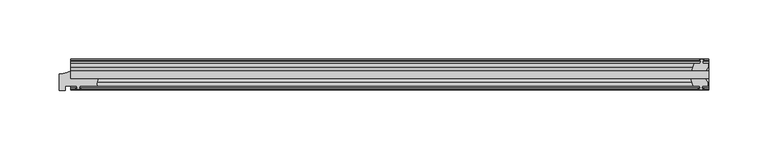
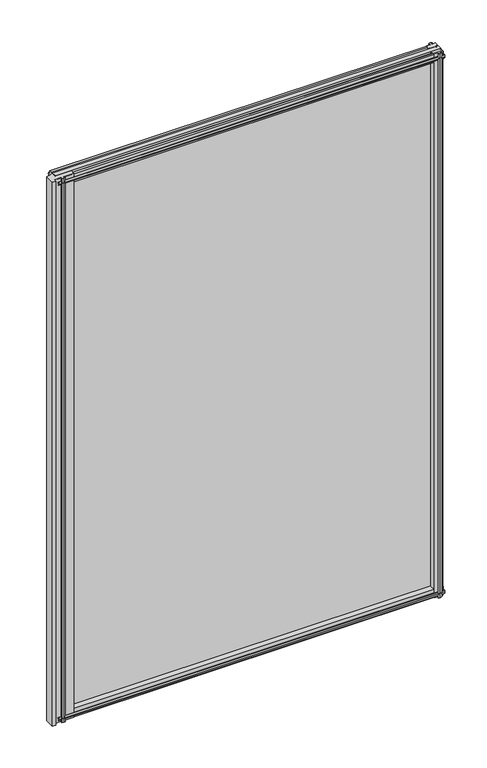
"""IFC4 building model written with IfcOpenShell, lengths in millimetres: plate geometry."""

from ifc_helpers import new_model, si_unit, point, frame, frame_2d, origin, place, context, project, spatial, polyline, circle_curve, trimmed, segment, composite_curve, outline, extrude, source, transform, mapped, element, save


def plate_12a71894(model_context):
    return source(origin(), model_context, "Body", "SweptSolid", [
        extrude(outline(polyline([(-273.05, -19.5460937), (263.525, -19.5460937), (263.525, -25.8960937), (-273.05, -25.8960937), (-273.05, -19.5460937)])), frame((0.0, 0.0, -12.7), z_axis=(0.0, 0.0, 1.0), x_axis=(1.0, 0.0, 0.0)), (0.0, 0.0, 1.0), 800.1),
        extrude(outline(polyline([(260.5503038, -25.8960937), (262.763, -29.2996938), (262.763, -32.2460938), (258.318, -32.2460938), (257.937, -34.6262907), (259.352529, -34.1663575), (259.352529, -34.9675717), (257.175, -35.6750938), (254.9974709, -34.9675717), (254.9974709, -34.1663575), (256.413, -34.6262907), (256.032, -32.2460938), (250.825, -32.2460938), (248.7197229, -25.8960937), (260.5503038, -25.8960937)])), frame((0.0, 0.0, -12.7), z_axis=(0.0, 0.0, 1.0), x_axis=(1.0, 0.0, 0.0)), (0.0, 0.0, 1.0), 800.1),
        extrude(outline(polyline([(255.5181709, -10.4746158), (257.6957, -9.7670938), (259.873229, -10.4746158), (259.873229, -11.27583), (258.4577, -10.8158968), (258.8387, -13.1960938), (263.2837, -13.1960938), (263.2837, -16.1424938), (261.0710038, -19.5460937), (249.2404229, -19.5460937), (251.3457, -13.1960938), (256.5527, -13.1960938), (256.9337, -10.8158968), (255.5181709, -11.27583), (255.5181709, -10.4746158)])), frame((0.0, 0.0, -12.7), z_axis=(0.0, 0.0, 1.0), x_axis=(1.0, 0.0, 0.0)), (0.0, 0.0, 1.0), 800.1),
        extrude(outline(composite_curve([segment(trimmed(circle_curve(frame_2d((-282.575, -2.913372)), 19.164849), [point((-282.575, -22.0782211))], [point((-273.0542854, -19.5460937))], True, "CARTESIAN"), True, "CONTINUOUS"), segment(polyline([(-273.0542854, -19.5460937), (-273.0542854, -25.8960937), (-249.7322351, -25.8960937)]), True, "CONTINUOUS"), segment(trimmed(circle_curve(frame_2d((-242.0204241, -30.493422)), 8.9781654), [point((-249.7322351, -25.8960937))], [point((-250.8258541, -32.2460937))], True, "CARTESIAN"), True, "CONTINUOUS"), segment(polyline([(-250.8258541, -32.2460937), (-265.4342854, -32.2460937), (-265.7517854, -34.3506957), (-264.5331795, -34.0241712), (-264.3293854, -34.7847412), (-266.7042854, -35.4210937), (-269.0791854, -34.7847412), (-268.8753913, -34.0241712), (-267.6567854, -34.3506957), (-267.9742854, -32.2460937), (-277.7998, -32.2460937), (-277.7998, -36.1501817), (-282.575, -36.1501817), (-282.575, -22.0782211)]), True, "CONTINUOUS")], self_intersect=False)), frame((0.0, 0.0, -12.7), z_axis=(0.0, 0.0, 1.0), x_axis=(1.0, 0.0, 0.0)), (0.0, 0.0, 1.0), 800.1),
        extrude(outline(polyline([(-13.1960937, 787.1587), (-13.1960937, 782.7137), (-10.8158968, 782.3327), (-11.27583, 783.7482291), (-10.4746158, 783.7482291), (-9.7670937, 781.5707), (-10.4746158, 779.3931709), (-11.27583, 779.3931709), (-10.8158968, 780.8087), (-13.1960937, 780.4277), (-13.1960937, 775.2207), (-19.5460937, 773.1154229), (-19.5460937, 784.9460038), (-16.1424937, 787.1587), (-13.1960937, 787.1587)])), frame((-273.05, 0.0, 0.0), z_axis=(1.0, 0.0, 0.0), x_axis=(0.0, 1.0, 0.0)), (0.0, 0.0, 1.0), 536.575),
        extrude(outline(polyline([(-29.2996937, 786.638), (-25.8960937, 784.4253038), (-25.8960937, 772.5947229), (-32.2460937, 774.7), (-32.2460937, 779.907), (-34.6262907, 780.288), (-34.1663575, 778.872471), (-34.9675717, 778.872471), (-35.6750937, 781.05), (-34.9675717, 783.2275291), (-34.1663575, 783.2275291), (-34.6262907, 781.812), (-32.2460937, 782.193), (-32.2460937, 786.638), (-29.2996937, 786.638)])), frame((-273.05, 0.0, 0.0), z_axis=(1.0, 0.0, 0.0), x_axis=(0.0, 1.0, 0.0)), (0.0, 0.0, 1.0), 536.575),
        extrude(outline(polyline([(-25.8960937, 2.1052771), (-25.8960937, -9.7253038), (-29.2996937, -11.938), (-32.2460937, -11.938), (-32.2460937, -7.493), (-34.6262907, -7.112), (-34.1663575, -8.5275291), (-34.9675717, -8.5275291), (-35.6750937, -6.35), (-34.9675717, -4.1724709), (-34.1663575, -4.1724709), (-34.6262907, -5.588), (-32.2460937, -5.207), (-32.2460937, 0.0), (-25.8960937, 2.1052771)])), frame((-273.05, 0.0, 0.0), z_axis=(1.0, 0.0, 0.0), x_axis=(0.0, 1.0, 0.0)), (0.0, 0.0, 1.0), 536.575),
        extrude(outline(polyline([(-19.5460937, 1.5845771), (-13.1960937, -0.5207), (-13.1960937, -5.7277), (-10.8158968, -6.1087), (-11.27583, -4.6931709), (-10.4746158, -4.6931709), (-9.7670937, -6.8707), (-10.4746158, -9.048229), (-11.27583, -9.048229), (-10.8158968, -7.6327), (-13.1960937, -8.0137), (-13.1960937, -12.4587), (-16.1424937, -12.4587), (-19.5460937, -10.2460038), (-19.5460937, 1.5845771)])), frame((-273.05, 0.0, 0.0), z_axis=(1.0, 0.0, 0.0), x_axis=(0.0, 1.0, 0.0)), (0.0, 0.0, 1.0), 536.575),
    ])


if __name__ == "__main__":
    model = new_model("IFC4")
    model_context = context("Model", 3, world=origin())
    ifc_project = project(units=[si_unit("LENGTHUNIT", "METRE", prefix="MILLI")], contexts=[model_context])
    site = spatial("IfcSite", under=ifc_project)
    building = spatial("IfcBuilding", under=site)
    placement = place(None, origin())
    plate_shape = plate_12a71894(model_context)
    element("IfcPlate", 1, at=placement, inside=building, context=model_context, shape_type="MappedRepresentation", body=[
        mapped(plate_shape, transform((0.0, 0.0, 0.0), x_axis=(1.0, 0.0, 0.0), y_axis=(0.0, 1.0, 0.0), z_axis=(0.0, 0.0, 1.0))),
    ])
    save(model, "model.ifc")
